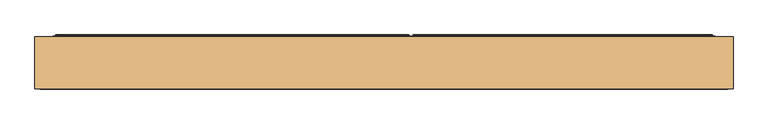
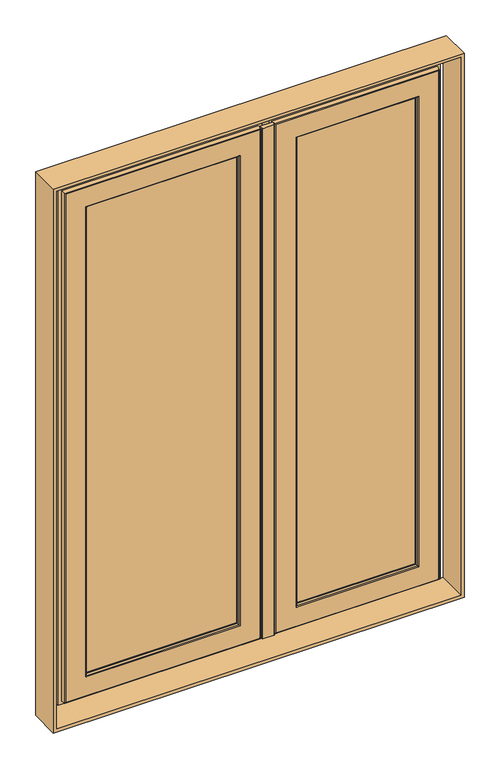
"""IFC4 building model written with IfcOpenShell, lengths in millimetres: door geometry."""

from ifc_helpers import new_model, si_unit, point, frame, frame_2d, origin, place, context, project, spatial, polyline, circle_curve, ellipse_curve, trimmed, segment, composite_curve, outline, extrude, source, transform, mapped, element, save
from ifc_brep_helpers import plane_surface, cylinder_surface, advanced_brep


def door_bfcf232a(model_context):
    return source(origin(), model_context, "Body", "SolidModel", [
        advanced_brep(
        [(-84.5, 188.6168436, 2052.5), (-84.5, 188.6168436, 47.5), (-84.5, 185.5999985, 47.5), (-84.5, 185.5999985, 2052.5), (-87.0, 193.0, 2055.0), (-87.0, 193.0, 45.0), (-88.0, 192.0, 44.0), (-88.0, 192.0, 2056.0), (7.23989, 192.6156615, 1960.76011), (7.23989, 192.6156615, 139.23989), (6.4518793, 193.0, 138.4518793), (6.4518793, 193.0, 1961.5481207), (15.0073403, 182.6737784, 1952.9926597), (15.0073403, 182.6737784, 147.0073403), (15.0073403, 181.0, 1952.9926597), (15.0073403, 181.0, 147.0073403), (-3.3670018, 133.0, 1971.3670018), (-3.3670018, 133.0, 128.6329982), (-9.2606608, 181.0, 122.7393392), (-9.2606608, 181.0, 1977.2606608), (15.0, 130.0, 1953.0), (15.0, 130.0, 147.0), (15.0, 133.0, 147.0), (15.0, 133.0, 1953.0), (14.9781475, 128.7920883, 1953.0218525), (14.9781475, 128.7920883, 146.9781475), (13.9999999, 130.0, 145.9999999), (13.9999999, 130.0, 1954.0000001), (13.1893091, 120.376265, 1954.8106909), (13.1893091, 120.376265, 145.1893091), (10.2548663, 118.0, 1957.7451337), (10.2548663, 118.0, 142.2548663), (-65.5618051, 119.7562613, 2033.5618051), (-65.5618051, 119.7562613, 66.4381949), (-63.5767128, 118.0, 68.4232872), (-63.5767128, 118.0, 2031.5767128), (-67.5562854, 136.0, 2035.5562854), (-67.5562854, 136.0, 64.4437146), (-79.0, 185.5999985, 2047.0), (-79.0, 185.5999985, 53.0), (-79.0, 136.0, 53.0), (-79.0, 136.0, 2047.0), (552.5, 188.6168436, 47.5), (552.5, 185.5999985, 47.5), (555.0, 193.0, 45.0), (556.0, 192.0, 44.0), (460.76011, 192.6156615, 139.23989), (461.5481207, 193.0, 138.4518793), (452.9926597, 182.6737784, 147.0073403), (452.9926597, 181.0, 147.0073403), (471.3670018, 133.0, 128.6329982), (477.2606608, 181.0, 122.7393392), (453.0, 130.0, 147.0), (453.0, 133.0, 147.0), (453.0218525, 128.7920883, 146.9781475), (454.0000001, 130.0, 145.9999999), (454.8106909, 120.376265, 145.1893091), (457.7451337, 118.0, 142.2548663), (533.5618051, 119.7562613, 66.4381949), (531.5767128, 118.0, 68.4232872), (535.5562854, 136.0, 64.4437146), (547.0, 185.5999985, 53.0), (547.0, 136.0, 53.0), (552.5, 188.6168436, 2052.5), (552.5, 185.5999985, 2052.5), (555.0, 193.0, 2055.0), (556.0, 192.0, 2056.0), (460.76011, 192.6156615, 1960.76011), (461.5481207, 193.0, 1961.5481207), (452.9926597, 182.6737784, 1952.9926597), (452.9926597, 181.0, 1952.9926597), (471.3670018, 133.0, 1971.3670018), (477.2606608, 181.0, 1977.2606608), (453.0, 130.0, 1953.0), (453.0, 133.0, 1953.0), (453.0218525, 128.7920883, 1953.0218525), (454.0000001, 130.0, 1954.0000001), (454.8106909, 120.376265, 1954.8106909), (457.7451337, 118.0, 1957.7451337), (533.5618051, 119.7562613, 2033.5618051), (531.5767128, 118.0, 2031.5767128), (535.5562854, 136.0, 2035.5562854), (547.0, 185.5999985, 2047.0), (547.0, 136.0, 2047.0), (-94.1997151, 189.6865589, 37.8002849), (-94.1997151, 189.6865589, 2062.1997151), (562.1997151, 189.6865589, 2062.1997151), (562.1997151, 189.6865589, 37.8002849), (-88.0, 189.6865589, 2056.0), (-88.0, 189.6865589, 44.0), (556.0, 189.6865589, 44.0), (556.0, 189.6865589, 2056.0), (-94.1997151, 188.6168436, 37.8002849), (-94.1997151, 188.6168436, 2062.1997151), (562.1997151, 188.6168436, 37.8002849), (562.1997151, 188.6168436, 2062.1997151)],
        [
            (0, 1),
            (1, 2),
            (2, 3),
            (3, 0),
            (4, 5),
            (5, 6, ellipse_curve(frame((-87.0, 192.0, 45.0), z_axis=(-0.7071067811865475, 0.0, 0.7071067811865475), x_axis=(0.7071067811865474, 0.0, 0.7071067811865476)), 1.4142136, 1.0)),
            (6, 7),
            (7, 4, ellipse_curve(frame((-87.0, 192.0, 2055.0), z_axis=(-0.7071067811865475, 0.0, -0.7071067811865475), x_axis=(-0.7071067811865474, 0.0, 0.7071067811865476)), 1.4142136, 1.0)),
            (8, 9),
            (9, 10, ellipse_curve(frame((6.4518793, 192.0, 138.4518793), z_axis=(-0.7071067811865475, 0.0, 0.7071067811865475), x_axis=(0.7071067811865474, 0.0, 0.7071067811865476)), 1.4142136, 1.0)),
            (10, 11),
            (11, 8, ellipse_curve(frame((6.4518793, 192.0, 1961.5481207), z_axis=(-0.7071067811865475, 0.0, -0.7071067811865475), x_axis=(-0.7071067811865474, 0.0, 0.7071067811865476)), 1.4142136, 1.0)),
            (12, 13),
            (13, 9),
            (8, 12),
            (14, 15),
            (15, 13),
            (12, 14),
            (16, 17),
            (17, 18),
            (18, 19),
            (19, 16),
            (20, 21),
            (21, 22),
            (22, 23),
            (23, 20),
            (24, 25),
            (25, 26, ellipse_curve(frame((13.9999999, 129.0, 145.9999999), z_axis=(-0.7071067811865475, 0.0, 0.7071067811865475), x_axis=(0.7071067811865474, 0.0, 0.7071067811865476)), 1.4142136, 1.0)),
            (26, 27),
            (27, 24, ellipse_curve(frame((13.9999999, 129.0, 1954.0000001), z_axis=(-0.7071067811865475, 0.0, -0.7071067811865475), x_axis=(-0.7071067811865474, 0.0, 0.7071067811865476)), 1.4142136, 1.0)),
            (28, 29),
            (29, 25),
            (24, 28),
            (30, 31),
            (31, 29, ellipse_curve(frame((10.2548663, 121.0, 142.2548663), z_axis=(-0.7071067811865475, 0.0, 0.7071067811865475), x_axis=(0.7071067811865474, 0.0, 0.7071067811865476)), 4.2426407, 3.0)),
            (28, 30, ellipse_curve(frame((10.2548663, 121.0, 1957.7451337), z_axis=(-0.7071067811865475, 0.0, -0.7071067811865475), x_axis=(-0.7071067811865474, 0.0, 0.7071067811865476)), 4.2426407, 3.0)),
            (32, 33),
            (33, 34, ellipse_curve(frame((-63.5767128, 120.0, 68.4232872), z_axis=(-0.7071067811865475, 0.0, 0.7071067811865475), x_axis=(0.7071067811865474, 0.0, 0.7071067811865476)), 2.8284271, 2.0)),
            (34, 35),
            (35, 32, ellipse_curve(frame((-63.5767128, 120.0, 2031.5767128), z_axis=(-0.7071067811865475, 0.0, -0.7071067811865475), x_axis=(-0.7071067811865474, 0.0, 0.7071067811865476)), 2.8284271, 2.0)),
            (36, 37),
            (37, 33),
            (32, 36),
            (38, 39),
            (39, 40),
            (40, 41),
            (41, 38),
            (1, 42),
            (42, 43),
            (43, 2),
            (5, 44),
            (44, 45, ellipse_curve(frame((555.0, 192.0, 45.0), z_axis=(-0.7071067811865475, 0.0, -0.7071067811865475), x_axis=(-0.7071067811865476, 0.0, 0.7071067811865474)), 1.4142136, 1.0)),
            (45, 6),
            (9, 46),
            (46, 47, ellipse_curve(frame((461.5481207, 192.0, 138.4518793), z_axis=(-0.7071067811865475, 0.0, -0.7071067811865475), x_axis=(-0.7071067811865476, 0.0, 0.7071067811865474)), 1.4142136, 1.0)),
            (47, 10),
            (13, 48),
            (48, 46),
            (15, 49),
            (49, 48),
            (17, 50),
            (50, 51),
            (51, 18),
            (21, 52),
            (52, 53),
            (53, 22),
            (25, 54),
            (54, 55, ellipse_curve(frame((454.0000001, 129.0, 145.9999999), z_axis=(-0.7071067811865475, 0.0, -0.7071067811865475), x_axis=(-0.7071067811865476, 0.0, 0.7071067811865474)), 1.4142136, 1.0)),
            (55, 26),
            (29, 56),
            (56, 54),
            (31, 57),
            (57, 56, ellipse_curve(frame((457.7451337, 121.0, 142.2548663), z_axis=(-0.7071067811865475, 0.0, -0.7071067811865475), x_axis=(-0.7071067811865476, 0.0, 0.7071067811865474)), 4.2426407, 3.0)),
            (33, 58),
            (58, 59, ellipse_curve(frame((531.5767128, 120.0, 68.4232872), z_axis=(-0.7071067811865475, 0.0, -0.7071067811865475), x_axis=(-0.7071067811865476, 0.0, 0.7071067811865474)), 2.8284271, 2.0)),
            (59, 34),
            (37, 60),
            (60, 58),
            (39, 61),
            (61, 62),
            (62, 40),
            (42, 63),
            (63, 64),
            (64, 43),
            (44, 65),
            (65, 66, ellipse_curve(frame((555.0, 192.0, 2055.0), z_axis=(0.7071067811865475, 0.0, -0.7071067811865475), x_axis=(-0.7071067811865474, 0.0, -0.7071067811865476)), 1.4142136, 1.0)),
            (66, 45),
            (46, 67),
            (67, 68, ellipse_curve(frame((461.5481207, 192.0, 1961.5481207), z_axis=(0.7071067811865475, 0.0, -0.7071067811865475), x_axis=(-0.7071067811865474, 0.0, -0.7071067811865476)), 1.4142136, 1.0)),
            (68, 47),
            (48, 69),
            (69, 67),
            (49, 70),
            (70, 69),
            (50, 71),
            (71, 72),
            (72, 51),
            (52, 73),
            (73, 74),
            (74, 53),
            (54, 75),
            (75, 76, ellipse_curve(frame((454.0000001, 129.0, 1954.0000001), z_axis=(0.7071067811865475, 0.0, -0.7071067811865475), x_axis=(-0.7071067811865474, 0.0, -0.7071067811865476)), 1.4142136, 1.0)),
            (76, 55),
            (56, 77),
            (77, 75),
            (57, 78),
            (78, 77, ellipse_curve(frame((457.7451337, 121.0, 1957.7451337), z_axis=(0.7071067811865475, 0.0, -0.7071067811865475), x_axis=(-0.7071067811865474, 0.0, -0.7071067811865476)), 4.2426407, 3.0)),
            (58, 79),
            (79, 80, ellipse_curve(frame((531.5767128, 120.0, 2031.5767128), z_axis=(0.7071067811865475, 0.0, -0.7071067811865475), x_axis=(-0.7071067811865474, 0.0, -0.7071067811865476)), 2.8284271, 2.0)),
            (80, 59),
            (60, 81),
            (81, 79),
            (61, 82),
            (82, 83),
            (83, 62),
            (64, 3),
            (38, 82),
            (63, 0),
            (84, 85),
            (85, 86),
            (86, 87),
            (87, 84),
            (88, 89),
            (89, 90),
            (90, 91),
            (91, 88),
            (65, 4),
            (7, 66),
            (68, 11),
            (67, 8),
            (69, 12),
            (70, 14),
            (72, 19),
            (71, 16),
            (74, 23),
            (73, 20),
            (76, 27),
            (75, 24),
            (77, 28),
            (78, 30),
            (80, 35),
            (79, 32),
            (81, 36),
            (83, 41),
            (84, 92),
            (92, 93),
            (93, 85),
            (6, 89),
            (88, 7),
            (87, 94),
            (94, 92),
            (45, 90),
            (86, 95),
            (95, 94),
            (66, 91),
            (95, 93),
        ],
        [
            plane_surface(frame((-84.5, 185.5999985, 2052.5), z_axis=(-1.0, 0.0, 0.0), x_axis=(0.0, 0.0, -1.0))),
            cylinder_surface(frame((-87.0, 192.0, 2047.0), z_axis=(0.0, 0.0, 1.0), x_axis=(0.0, -1.0, 0.0)), 1.0),
            cylinder_surface(frame((6.4518793, 192.0, 2047.0), z_axis=(0.0, 0.0, 1.0), x_axis=(0.0, -1.0, 0.0)), 1.0),
            plane_surface(frame((7.23989, 192.6156615, 1960.76011), z_axis=(0.7880107536067479, 0.6156614753256251, 0.0), x_axis=(0.0, 0.0, -1.0))),
            plane_surface(frame((15.0073403, 182.6737784, 1952.9926597), z_axis=(1.0, 0.0, 0.0), x_axis=(0.0, 0.0, -1.0))),
            plane_surface(frame((-9.2606608, 181.0, 1977.2606608), z_axis=(0.9925461516413231, 0.12186934340513902, 0.0), x_axis=(0.0, 0.0, -1.0))),
            plane_surface(frame((15.0, 133.0, 1953.0), z_axis=(1.0, 0.0, 0.0), x_axis=(0.0, 0.0, -1.0))),
            cylinder_surface(frame((13.9999999, 129.0, 2047.0), z_axis=(0.0, 0.0, 1.0), x_axis=(0.0, -1.0, 0.0)), 1.0),
            plane_surface(frame((14.9781475, 128.7920883, 1953.0218525), z_axis=(0.978147604222882, -0.20791167440294514, 0.0), x_axis=(0.0, 0.0, -1.0))),
            cylinder_surface(frame((10.2548663, 121.0, 2047.0), z_axis=(0.0, 0.0, 1.0), x_axis=(0.0, -1.0, 0.0)), 3.0),
            cylinder_surface(frame((-63.5767128, 120.0, 2047.0), z_axis=(0.0, 0.0, 1.0), x_axis=(0.0, -1.0, 0.0)), 2.0),
            plane_surface(frame((-65.5618051, 119.7562613, 2033.5618051), z_axis=(-0.9925461516416144, -0.12186934340276656, 0.0), x_axis=(0.0, 0.0, -1.0))),
            plane_surface(frame((-79.0, 136.0, 2047.0), z_axis=(-1.0, 0.0, 0.0), x_axis=(0.0, 0.0, -1.0))),
            plane_surface(frame((-84.5, 185.5999985, 47.5), z_axis=(0.0, 0.0, -1.0), x_axis=(1.0, 0.0, 0.0))),
            cylinder_surface(frame((-79.0, 192.0, 45.0), z_axis=(-1.0, 0.0, 0.0), x_axis=(0.0, -1.0, 0.0)), 1.0),
            cylinder_surface(frame((-79.0, 192.0, 138.4518793), z_axis=(-1.0, 0.0, 0.0), x_axis=(0.0, -1.0, 0.0)), 1.0),
            plane_surface(frame((7.23989, 192.6156615, 139.23989), z_axis=(0.0, 0.6156614753256251, 0.7880107536067479), x_axis=(1.0, 0.0, 0.0))),
            plane_surface(frame((15.0073403, 182.6737784, 147.0073403), z_axis=(0.0, 0.0, 1.0), x_axis=(1.0, 0.0, 0.0))),
            plane_surface(frame((-9.2606608, 181.0, 122.7393392), z_axis=(0.0, 0.12186934340513902, 0.9925461516413231), x_axis=(1.0, 0.0, 0.0))),
            plane_surface(frame((15.0, 133.0, 147.0), z_axis=(0.0, 0.0, 1.0), x_axis=(1.0, 0.0, 0.0))),
            cylinder_surface(frame((-79.0, 129.0, 145.9999999), z_axis=(-1.0, 0.0, 0.0), x_axis=(0.0, -1.0, 0.0)), 1.0),
            plane_surface(frame((14.9781475, 128.7920883, 146.9781475), z_axis=(0.0, -0.20791167440294514, 0.978147604222882), x_axis=(1.0, 0.0, 0.0))),
            cylinder_surface(frame((-79.0, 121.0, 142.2548663), z_axis=(-1.0, 0.0, 0.0), x_axis=(0.0, -1.0, 0.0)), 3.0),
            cylinder_surface(frame((-79.0, 120.0, 68.4232872), z_axis=(-1.0, 0.0, 0.0), x_axis=(0.0, -1.0, 0.0)), 2.0),
            plane_surface(frame((-65.5618051, 119.7562613, 66.4381949), z_axis=(0.0, -0.12186934340276656, -0.9925461516416144), x_axis=(1.0, 0.0, 0.0))),
            plane_surface(frame((-79.0, 136.0, 53.0), z_axis=(0.0, 0.0, -1.0), x_axis=(1.0, 0.0, 0.0))),
            plane_surface(frame((552.5, 185.5999985, 47.5), z_axis=(1.0, 0.0, 0.0), x_axis=(0.0, 0.0, 1.0))),
            cylinder_surface(frame((555.0, 192.0, 53.0), z_axis=(0.0, 0.0, -1.0), x_axis=(0.0, -1.0, 0.0)), 1.0),
            cylinder_surface(frame((461.5481207, 192.0, 53.0), z_axis=(0.0, 0.0, -1.0), x_axis=(0.0, -1.0, 0.0)), 1.0),
            plane_surface(frame((460.76011, 192.6156615, 139.23989), z_axis=(-0.7880107536067479, 0.6156614753256251, 0.0), x_axis=(0.0, 0.0, 1.0))),
            plane_surface(frame((452.9926597, 182.6737784, 147.0073403), z_axis=(-1.0, 0.0, 0.0), x_axis=(0.0, 0.0, 1.0))),
            plane_surface(frame((477.2606608, 181.0, 122.7393392), z_axis=(-0.9925461516413231, 0.12186934340513902, 0.0), x_axis=(0.0, 0.0, 1.0))),
            plane_surface(frame((453.0, 133.0, 147.0), z_axis=(-1.0, 0.0, 0.0), x_axis=(0.0, 0.0, 1.0))),
            cylinder_surface(frame((454.0000001, 129.0, 53.0), z_axis=(0.0, 0.0, -1.0), x_axis=(0.0, -1.0, 0.0)), 1.0),
            plane_surface(frame((453.0218525, 128.7920883, 146.9781475), z_axis=(-0.978147604222882, -0.20791167440294514, 0.0), x_axis=(0.0, 0.0, 1.0))),
            cylinder_surface(frame((457.7451337, 121.0, 53.0), z_axis=(0.0, 0.0, -1.0), x_axis=(0.0, -1.0, 0.0)), 3.0),
            cylinder_surface(frame((531.5767128, 120.0, 53.0), z_axis=(0.0, 0.0, -1.0), x_axis=(0.0, -1.0, 0.0)), 2.0),
            plane_surface(frame((533.5618051, 119.7562613, 66.4381949), z_axis=(0.9925461516416144, -0.12186934340276656, 0.0), x_axis=(0.0, 0.0, 1.0))),
            plane_surface(frame((547.0, 136.0, 53.0), z_axis=(1.0, 0.0, 0.0), x_axis=(0.0, 0.0, 1.0))),
            plane_surface(frame((547.0, 185.5999985, 2047.0), z_axis=(0.0, -1.0, 0.0), x_axis=(-1.0, 0.0, 0.0))),
            plane_surface(frame((552.5, 185.5999985, 2052.5), z_axis=(0.0, 0.0, 1.0), x_axis=(-1.0, 0.0, 0.0))),
            plane_surface(frame((562.1997151, 189.6865589, 2062.1997151), z_axis=(0.0, 1.0, 0.0), x_axis=(-1.0, 0.0, 0.0))),
            cylinder_surface(frame((547.0, 192.0, 2055.0), z_axis=(1.0, 0.0, 0.0), x_axis=(0.0, -1.0, 0.0)), 1.0),
            plane_surface(frame((555.0, 193.0, 2055.0), z_axis=(0.0, 1.0, 0.0), x_axis=(-1.0, 0.0, 0.0))),
            cylinder_surface(frame((547.0, 192.0, 1961.5481207), z_axis=(1.0, 0.0, 0.0), x_axis=(0.0, -1.0, 0.0)), 1.0),
            plane_surface(frame((460.76011, 192.6156615, 1960.76011), z_axis=(0.0, 0.6156614753256251, -0.7880107536067479), x_axis=(-1.0, 0.0, 0.0))),
            plane_surface(frame((452.9926597, 182.6737784, 1952.9926597), z_axis=(0.0, 0.0, -1.0), x_axis=(-1.0, 0.0, 0.0))),
            plane_surface(frame((452.9926597, 181.0, 1952.9926597), z_axis=(0.0, -1.0, 0.0), x_axis=(-1.0, 0.0, 0.0))),
            plane_surface(frame((477.2606608, 181.0, 1977.2606608), z_axis=(0.0, 0.12186934340513902, -0.9925461516413231), x_axis=(-1.0, 0.0, 0.0))),
            plane_surface(frame((471.3670018, 133.0, 1971.3670018), z_axis=(0.0, 1.0, 0.0), x_axis=(-1.0, 0.0, 0.0))),
            plane_surface(frame((453.0, 133.0, 1953.0), z_axis=(0.0, 0.0, -1.0), x_axis=(-1.0, 0.0, 0.0))),
            plane_surface(frame((453.0, 130.0, 1953.0), z_axis=(0.0, -1.0, 0.0), x_axis=(-1.0, 0.0, 0.0))),
            cylinder_surface(frame((547.0, 129.0, 1954.0000001), z_axis=(1.0, 0.0, 0.0), x_axis=(0.0, -1.0, 0.0)), 1.0),
            plane_surface(frame((453.0218525, 128.7920883, 1953.0218525), z_axis=(0.0, -0.20791167440294514, -0.978147604222882), x_axis=(-1.0, 0.0, 0.0))),
            cylinder_surface(frame((547.0, 121.0, 1957.7451337), z_axis=(1.0, 0.0, 0.0), x_axis=(0.0, -1.0, 0.0)), 3.0),
            plane_surface(frame((457.7451337, 118.0, 1957.7451337), z_axis=(0.0, -1.0, 0.0), x_axis=(-1.0, 0.0, 0.0))),
            cylinder_surface(frame((547.0, 120.0, 2031.5767128), z_axis=(1.0, 0.0, 0.0), x_axis=(0.0, -1.0, 0.0)), 2.0),
            plane_surface(frame((533.5618051, 119.7562613, 2033.5618051), z_axis=(0.0, -0.12186934340276656, 0.9925461516416144), x_axis=(-1.0, 0.0, 0.0))),
            plane_surface(frame((535.5562854, 136.0, 2035.5562854), z_axis=(0.0, -1.0, 0.0), x_axis=(-1.0, 0.0, 0.0))),
            plane_surface(frame((547.0, 136.0, 2047.0), z_axis=(0.0, 0.0, 1.0), x_axis=(-1.0, 0.0, 0.0))),
            plane_surface(frame((-94.1997151, 188.6168436, 2062.1997151), z_axis=(-1.0, 0.0, 0.0), x_axis=(0.0, 0.0, -1.0))),
            plane_surface(frame((-88.0, 189.6865589, 2056.0), z_axis=(-1.0, 0.0, 0.0), x_axis=(0.0, 0.0, -1.0))),
            plane_surface(frame((-94.1997151, 188.6168436, 37.8002849), z_axis=(0.0, 0.0, -1.0), x_axis=(1.0, 0.0, 0.0))),
            plane_surface(frame((-88.0, 189.6865589, 44.0), z_axis=(0.0, 0.0, -1.0), x_axis=(1.0, 0.0, 0.0))),
            plane_surface(frame((562.1997151, 188.6168436, 37.8002849), z_axis=(1.0, 0.0, 0.0), x_axis=(0.0, 0.0, 1.0))),
            plane_surface(frame((556.0, 189.6865589, 44.0), z_axis=(1.0, 0.0, 0.0), x_axis=(0.0, 0.0, 1.0))),
            plane_surface(frame((552.5, 188.6168436, 2052.5), z_axis=(0.0, -1.0, 0.0), x_axis=(-1.0, 0.0, 0.0))),
            plane_surface(frame((562.1997151, 188.6168436, 2062.1997151), z_axis=(0.0, 0.0, 1.0), x_axis=(-1.0, 0.0, 0.0))),
            plane_surface(frame((556.0, 189.6865589, 2056.0), z_axis=(0.0, 0.0, 1.0), x_axis=(-1.0, 0.0, 0.0))),
        ],
        [
            (0, [[1, 2, 3, 4]]),
            (1, [[5, 6, 7, 8]]),
            (2, [[9, 10, 11, 12]]),
            (3, [[13, 14, -9, 15]]),
            (4, [[16, 17, -13, 18]]),
            (5, [[19, 20, 21, 22]]),
            (6, [[23, 24, 25, 26]]),
            (7, [[27, 28, 29, 30]]),
            (8, [[31, 32, -27, 33]]),
            (9, [[34, 35, -31, 36]]),
            (10, [[37, 38, 39, 40]]),
            (11, [[41, 42, -37, 43]]),
            (12, [[44, 45, 46, 47]]),
            (13, [[48, 49, 50, -2]]),
            (14, [[51, 52, 53, -6]]),
            (15, [[54, 55, 56, -10]]),
            (16, [[57, 58, -54, -14]]),
            (17, [[59, 60, -57, -17]]),
            (18, [[61, 62, 63, -20]]),
            (19, [[64, 65, 66, -24]]),
            (20, [[67, 68, 69, -28]]),
            (21, [[70, 71, -67, -32]]),
            (22, [[72, 73, -70, -35]]),
            (23, [[74, 75, 76, -38]]),
            (24, [[77, 78, -74, -42]]),
            (25, [[79, 80, 81, -45]]),
            (26, [[82, 83, 84, -49]]),
            (27, [[85, 86, 87, -52]]),
            (28, [[88, 89, 90, -55]]),
            (29, [[91, 92, -88, -58]]),
            (30, [[93, 94, -91, -60]]),
            (31, [[95, 96, 97, -62]]),
            (32, [[98, 99, 100, -65]]),
            (33, [[101, 102, 103, -68]]),
            (34, [[104, 105, -101, -71]]),
            (35, [[106, 107, -104, -73]]),
            (36, [[108, 109, 110, -75]]),
            (37, [[111, 112, -108, -78]]),
            (38, [[113, 114, 115, -80]]),
            (39, [[-3, -50, -84, 116], [-44, 117, -113, -79]]),
            (40, [[118, -4, -116, -83]]),
            (41, [[119, 120, 121, 122], [123, 124, 125, 126]]),
            (42, [[127, -8, 128, -86]]),
            (43, [[-5, -127, -85, -51], [-11, -56, -90, 129]]),
            (44, [[130, -12, -129, -89]]),
            (45, [[131, -15, -130, -92]]),
            (46, [[132, -18, -131, -94]]),
            (47, [[-21, -63, -97, 133], [-16, -132, -93, -59]]),
            (48, [[134, -22, -133, -96]]),
            (49, [[-19, -134, -95, -61], [-25, -66, -100, 135]]),
            (50, [[136, -26, -135, -99]]),
            (51, [[-29, -69, -103, 137], [-23, -136, -98, -64]]),
            (52, [[138, -30, -137, -102]]),
            (53, [[139, -33, -138, -105]]),
            (54, [[140, -36, -139, -107]]),
            (55, [[-39, -76, -110, 141], [-34, -140, -106, -72]]),
            (56, [[142, -40, -141, -109]]),
            (57, [[143, -43, -142, -112]]),
            (58, [[-46, -81, -115, 144], [-41, -143, -111, -77]]),
            (59, [[-117, -47, -144, -114]]),
            (60, [[-119, 145, 146, 147]]),
            (61, [[-7, 148, -123, 149]]),
            (62, [[-122, 150, 151, -145]]),
            (63, [[-53, 152, -124, -148]]),
            (64, [[-121, 153, 154, -150]]),
            (65, [[-87, 155, -125, -152]]),
            (66, [[-146, -151, -154, 156], [-1, -118, -82, -48]]),
            (67, [[-120, -147, -156, -153]]),
            (68, [[-128, -149, -126, -155]]),
        ],
    ),
        extrude(outline(polyline([(5.8540715, 133.0110098), (5.8540715, 181.0110098), (462.1459285, 181.0110098), (462.1459285, 133.0110098), (5.8540715, 133.0110098)])), frame((0.0, 0.0, 137.8540715), z_axis=(0.0, 0.0, 1.0), x_axis=(1.0, 0.0, 0.0)), (0.0, 0.0, 1.0), 1824.291857),
        advanced_brep(
        [(-99.5, 188.6168436, 2052.5), (-99.5, 185.5999985, 2052.5), (-99.5, 185.5999985, 47.5), (-99.5, 188.6168436, 47.5), (-97.0, 193.0, 2055.0), (-96.0, 192.0, 2056.0), (-96.0, 192.0, 44.0), (-97.0, 193.0, 45.0), (-191.23989, 192.6156615, 1960.76011), (-190.4518793, 193.0, 1961.5481207), (-190.4518793, 193.0, 138.4518793), (-191.23989, 192.6156615, 139.23989), (-199.0073403, 182.6737784, 1952.9926597), (-199.0073403, 182.6737784, 147.0073403), (-199.0073403, 181.0, 1952.9926597), (-199.0073403, 181.0, 147.0073403), (-180.6329982, 133.0, 1971.3670018), (-174.7393392, 181.0, 1977.2606608), (-174.7393392, 181.0, 122.7393392), (-180.6329982, 133.0, 128.6329982), (-199.0, 130.0, 1953.0), (-199.0, 133.0, 1953.0), (-199.0, 133.0, 147.0), (-199.0, 130.0, 147.0), (-198.9781475, 128.7920883, 1953.0218525), (-197.9999999, 130.0, 1954.0000001), (-197.9999999, 130.0, 145.9999999), (-198.9781475, 128.7920883, 146.9781475), (-197.1893091, 120.376265, 1954.8106909), (-197.1893091, 120.376265, 145.1893091), (-194.2548663, 118.0, 1957.7451337), (-194.2548663, 118.0, 142.2548663), (-118.4381949, 119.7562613, 2033.5618051), (-120.4232872, 118.0, 2031.5767128), (-120.4232872, 118.0, 68.4232872), (-118.4381949, 119.7562613, 66.4381949), (-116.4437146, 136.0, 2035.5562854), (-116.4437146, 136.0, 64.4437146), (-105.0, 185.5999985, 2047.0), (-105.0, 136.0, 2047.0), (-105.0, 136.0, 53.0), (-105.0, 185.5999985, 53.0), (-852.5, 185.5999985, 47.5), (-852.5, 188.6168436, 47.5), (-856.0, 192.0, 44.0), (-855.0, 193.0, 45.0), (-761.5481207, 193.0, 138.4518793), (-760.76011, 192.6156615, 139.23989), (-752.9926597, 182.6737784, 147.0073403), (-752.9926597, 181.0, 147.0073403), (-777.2606608, 181.0, 122.7393392), (-771.3670018, 133.0, 128.6329982), (-753.0, 133.0, 147.0), (-753.0, 130.0, 147.0), (-754.0000001, 130.0, 145.9999999), (-753.0218525, 128.7920883, 146.9781475), (-754.8106909, 120.376265, 145.1893091), (-757.7451337, 118.0, 142.2548663), (-831.5767128, 118.0, 68.4232872), (-833.5618051, 119.7562613, 66.4381949), (-835.5562854, 136.0, 64.4437146), (-847.0, 136.0, 53.0), (-847.0, 185.5999985, 53.0), (-852.5, 185.5999985, 2052.5), (-852.5, 188.6168436, 2052.5), (-856.0, 192.0, 2056.0), (-855.0, 193.0, 2055.0), (-761.5481207, 193.0, 1961.5481207), (-760.76011, 192.6156615, 1960.76011), (-752.9926597, 182.6737784, 1952.9926597), (-752.9926597, 181.0, 1952.9926597), (-777.2606608, 181.0, 1977.2606608), (-771.3670018, 133.0, 1971.3670018), (-753.0, 133.0, 1953.0), (-753.0, 130.0, 1953.0), (-754.0000001, 130.0, 1954.0000001), (-753.0218525, 128.7920883, 1953.0218525), (-754.8106909, 120.376265, 1954.8106909), (-757.7451337, 118.0, 1957.7451337), (-831.5767128, 118.0, 2031.5767128), (-833.5618051, 119.7562613, 2033.5618051), (-835.5562854, 136.0, 2035.5562854), (-847.0, 136.0, 2047.0), (-847.0, 185.5999985, 2047.0), (-89.8002849, 189.6865589, 37.8002849), (-862.1997151, 189.6865589, 37.8002849), (-862.1997151, 189.6865589, 2062.1997151), (-89.8002849, 189.6865589, 2062.1997151), (-96.0, 189.6865589, 2056.0), (-856.0, 189.6865589, 2056.0), (-856.0, 189.6865589, 44.0), (-96.0, 189.6865589, 44.0), (-89.8002849, 188.6168436, 2062.1997151), (-89.8002849, 188.6168436, 37.8002849), (-862.1997151, 188.6168436, 37.8002849), (-862.1997151, 188.6168436, 2062.1997151)],
        [
            (0, 1),
            (1, 2),
            (2, 3),
            (3, 0),
            (4, 5, ellipse_curve(frame((-97.0, 192.0, 2055.0), z_axis=(0.7071067811865475, 0.0, -0.7071067811865475), x_axis=(0.7071067811865474, 0.0, 0.7071067811865476)), 1.4142136, 1.0)),
            (5, 6),
            (6, 7, ellipse_curve(frame((-97.0, 192.0, 45.0), z_axis=(0.7071067811865475, 0.0, 0.7071067811865475), x_axis=(-0.7071067811865474, 0.0, 0.7071067811865476)), 1.4142136, 1.0)),
            (7, 4),
            (8, 9, ellipse_curve(frame((-190.4518793, 192.0, 1961.5481207), z_axis=(0.7071067811865475, 0.0, -0.7071067811865475), x_axis=(0.7071067811865474, 0.0, 0.7071067811865476)), 1.4142136, 1.0)),
            (9, 10),
            (10, 11, ellipse_curve(frame((-190.4518793, 192.0, 138.4518793), z_axis=(0.7071067811865475, 0.0, 0.7071067811865475), x_axis=(-0.7071067811865474, 0.0, 0.7071067811865476)), 1.4142136, 1.0)),
            (11, 8),
            (12, 8),
            (11, 13),
            (13, 12),
            (14, 12),
            (13, 15),
            (15, 14),
            (16, 17),
            (17, 18),
            (18, 19),
            (19, 16),
            (20, 21),
            (21, 22),
            (22, 23),
            (23, 20),
            (24, 25, ellipse_curve(frame((-197.9999999, 129.0, 1954.0000001), z_axis=(0.7071067811865475, 0.0, -0.7071067811865475), x_axis=(0.7071067811865474, 0.0, 0.7071067811865476)), 1.4142136, 1.0)),
            (25, 26),
            (26, 27, ellipse_curve(frame((-197.9999999, 129.0, 145.9999999), z_axis=(0.7071067811865475, 0.0, 0.7071067811865475), x_axis=(-0.7071067811865474, 0.0, 0.7071067811865476)), 1.4142136, 1.0)),
            (27, 24),
            (28, 24),
            (27, 29),
            (29, 28),
            (30, 28, ellipse_curve(frame((-194.2548663, 121.0, 1957.7451337), z_axis=(0.7071067811865475, 0.0, -0.7071067811865475), x_axis=(0.7071067811865474, 0.0, 0.7071067811865476)), 4.2426407, 3.0)),
            (29, 31, ellipse_curve(frame((-194.2548663, 121.0, 142.2548663), z_axis=(0.7071067811865475, 0.0, 0.7071067811865475), x_axis=(-0.7071067811865474, 0.0, 0.7071067811865476)), 4.2426407, 3.0)),
            (31, 30),
            (32, 33, ellipse_curve(frame((-120.4232872, 120.0, 2031.5767128), z_axis=(0.7071067811865475, 0.0, -0.7071067811865475), x_axis=(0.7071067811865474, 0.0, 0.7071067811865476)), 2.8284271, 2.0)),
            (33, 34),
            (34, 35, ellipse_curve(frame((-120.4232872, 120.0, 68.4232872), z_axis=(0.7071067811865475, 0.0, 0.7071067811865475), x_axis=(-0.7071067811865474, 0.0, 0.7071067811865476)), 2.8284271, 2.0)),
            (35, 32),
            (36, 32),
            (35, 37),
            (37, 36),
            (38, 39),
            (39, 40),
            (40, 41),
            (41, 38),
            (2, 42),
            (42, 43),
            (43, 3),
            (6, 44),
            (44, 45, ellipse_curve(frame((-855.0, 192.0, 45.0), z_axis=(0.7071067811865475, 0.0, -0.7071067811865475), x_axis=(0.7071067811865476, 0.0, 0.7071067811865474)), 1.4142136, 1.0)),
            (45, 7),
            (10, 46),
            (46, 47, ellipse_curve(frame((-761.5481207, 192.0, 138.4518793), z_axis=(0.7071067811865475, 0.0, -0.7071067811865475), x_axis=(0.7071067811865476, 0.0, 0.7071067811865474)), 1.4142136, 1.0)),
            (47, 11),
            (47, 48),
            (48, 13),
            (48, 49),
            (49, 15),
            (18, 50),
            (50, 51),
            (51, 19),
            (22, 52),
            (52, 53),
            (53, 23),
            (26, 54),
            (54, 55, ellipse_curve(frame((-754.0000001, 129.0, 145.9999999), z_axis=(0.7071067811865475, 0.0, -0.7071067811865475), x_axis=(0.7071067811865476, 0.0, 0.7071067811865474)), 1.4142136, 1.0)),
            (55, 27),
            (55, 56),
            (56, 29),
            (56, 57, ellipse_curve(frame((-757.7451337, 121.0, 142.2548663), z_axis=(0.7071067811865475, 0.0, -0.7071067811865475), x_axis=(0.7071067811865476, 0.0, 0.7071067811865474)), 4.2426407, 3.0)),
            (57, 31),
            (34, 58),
            (58, 59, ellipse_curve(frame((-831.5767128, 120.0, 68.4232872), z_axis=(0.7071067811865475, 0.0, -0.7071067811865475), x_axis=(0.7071067811865476, 0.0, 0.7071067811865474)), 2.8284271, 2.0)),
            (59, 35),
            (59, 60),
            (60, 37),
            (40, 61),
            (61, 62),
            (62, 41),
            (42, 63),
            (63, 64),
            (64, 43),
            (44, 65),
            (65, 66, ellipse_curve(frame((-855.0, 192.0, 2055.0), z_axis=(-0.7071067811865475, 0.0, -0.7071067811865475), x_axis=(0.7071067811865474, 0.0, -0.7071067811865476)), 1.4142136, 1.0)),
            (66, 45),
            (46, 67),
            (67, 68, ellipse_curve(frame((-761.5481207, 192.0, 1961.5481207), z_axis=(-0.7071067811865475, 0.0, -0.7071067811865475), x_axis=(0.7071067811865474, 0.0, -0.7071067811865476)), 1.4142136, 1.0)),
            (68, 47),
            (68, 69),
            (69, 48),
            (69, 70),
            (70, 49),
            (50, 71),
            (71, 72),
            (72, 51),
            (52, 73),
            (73, 74),
            (74, 53),
            (54, 75),
            (75, 76, ellipse_curve(frame((-754.0000001, 129.0, 1954.0000001), z_axis=(-0.7071067811865475, 0.0, -0.7071067811865475), x_axis=(0.7071067811865474, 0.0, -0.7071067811865476)), 1.4142136, 1.0)),
            (76, 55),
            (76, 77),
            (77, 56),
            (77, 78, ellipse_curve(frame((-757.7451337, 121.0, 1957.7451337), z_axis=(-0.7071067811865475, 0.0, -0.7071067811865475), x_axis=(0.7071067811865474, 0.0, -0.7071067811865476)), 4.2426407, 3.0)),
            (78, 57),
            (58, 79),
            (79, 80, ellipse_curve(frame((-831.5767128, 120.0, 2031.5767128), z_axis=(-0.7071067811865475, 0.0, -0.7071067811865475), x_axis=(0.7071067811865474, 0.0, -0.7071067811865476)), 2.8284271, 2.0)),
            (80, 59),
            (80, 81),
            (81, 60),
            (61, 82),
            (82, 83),
            (83, 62),
            (1, 63),
            (83, 38),
            (0, 64),
            (84, 85),
            (85, 86),
            (86, 87),
            (87, 84),
            (88, 89),
            (89, 90),
            (90, 91),
            (91, 88),
            (65, 5),
            (4, 66),
            (9, 67),
            (8, 68),
            (12, 69),
            (14, 70),
            (17, 71),
            (16, 72),
            (21, 73),
            (20, 74),
            (25, 75),
            (24, 76),
            (28, 77),
            (30, 78),
            (33, 79),
            (32, 80),
            (36, 81),
            (39, 82),
            (87, 92),
            (92, 93),
            (93, 84),
            (5, 88),
            (91, 6),
            (93, 94),
            (94, 85),
            (90, 44),
            (94, 95),
            (95, 86),
            (89, 65),
            (92, 95),
        ],
        [
            plane_surface(frame((-99.5, 185.5999985, 2052.5), z_axis=(1.0, 0.0, 0.0), x_axis=(0.0, 0.0, -1.0))),
            cylinder_surface(frame((-97.0, 192.0, 2047.0), z_axis=(0.0, 0.0, 1.0), x_axis=(0.0, -1.0, 0.0)), 1.0),
            cylinder_surface(frame((-190.4518793, 192.0, 2047.0), z_axis=(0.0, 0.0, 1.0), x_axis=(0.0, -1.0, 0.0)), 1.0),
            plane_surface(frame((-191.23989, 192.6156615, 1960.76011), z_axis=(-0.7880107536067479, 0.6156614753256251, 0.0), x_axis=(0.0, 0.0, -1.0))),
            plane_surface(frame((-199.0073403, 182.6737784, 1952.9926597), z_axis=(-1.0, 0.0, 0.0), x_axis=(0.0, 0.0, -1.0))),
            plane_surface(frame((-174.7393392, 181.0, 1977.2606608), z_axis=(-0.9925461516413231, 0.12186934340513902, 0.0), x_axis=(0.0, 0.0, -1.0))),
            plane_surface(frame((-199.0, 133.0, 1953.0), z_axis=(-1.0, 0.0, 0.0), x_axis=(0.0, 0.0, -1.0))),
            cylinder_surface(frame((-197.9999999, 129.0, 2047.0), z_axis=(0.0, 0.0, 1.0), x_axis=(0.0, -1.0, 0.0)), 1.0),
            plane_surface(frame((-198.9781475, 128.7920883, 1953.0218525), z_axis=(-0.978147604222882, -0.20791167440294514, 0.0), x_axis=(0.0, 0.0, -1.0))),
            cylinder_surface(frame((-194.2548663, 121.0, 2047.0), z_axis=(0.0, 0.0, 1.0), x_axis=(0.0, -1.0, 0.0)), 3.0),
            cylinder_surface(frame((-120.4232872, 120.0, 2047.0), z_axis=(0.0, 0.0, 1.0), x_axis=(0.0, -1.0, 0.0)), 2.0),
            plane_surface(frame((-118.4381949, 119.7562613, 2033.5618051), z_axis=(0.9925461516416144, -0.12186934340276656, 0.0), x_axis=(0.0, 0.0, -1.0))),
            plane_surface(frame((-105.0, 136.0, 2047.0), z_axis=(1.0, 0.0, 0.0), x_axis=(0.0, 0.0, -1.0))),
            plane_surface(frame((-99.5, 185.5999985, 47.5), z_axis=(0.0, 0.0, -1.0), x_axis=(-1.0, 0.0, 0.0))),
            cylinder_surface(frame((-105.0, 192.0, 45.0), z_axis=(1.0, 0.0, 0.0), x_axis=(0.0, -1.0, 0.0)), 1.0),
            cylinder_surface(frame((-105.0, 192.0, 138.4518793), z_axis=(1.0, 0.0, 0.0), x_axis=(0.0, -1.0, 0.0)), 1.0),
            plane_surface(frame((-191.23989, 192.6156615, 139.23989), z_axis=(0.0, 0.6156614753256251, 0.7880107536067479), x_axis=(-1.0, 0.0, 0.0))),
            plane_surface(frame((-199.0073403, 182.6737784, 147.0073403), z_axis=(0.0, 0.0, 1.0), x_axis=(-1.0, 0.0, 0.0))),
            plane_surface(frame((-174.7393392, 181.0, 122.7393392), z_axis=(0.0, 0.12186934340513902, 0.9925461516413231), x_axis=(-1.0, 0.0, 0.0))),
            plane_surface(frame((-199.0, 133.0, 147.0), z_axis=(0.0, 0.0, 1.0), x_axis=(-1.0, 0.0, 0.0))),
            cylinder_surface(frame((-105.0, 129.0, 145.9999999), z_axis=(1.0, 0.0, 0.0), x_axis=(0.0, -1.0, 0.0)), 1.0),
            plane_surface(frame((-198.9781475, 128.7920883, 146.9781475), z_axis=(0.0, -0.20791167440294514, 0.978147604222882), x_axis=(-1.0, 0.0, 0.0))),
            cylinder_surface(frame((-105.0, 121.0, 142.2548663), z_axis=(1.0, 0.0, 0.0), x_axis=(0.0, -1.0, 0.0)), 3.0),
            cylinder_surface(frame((-105.0, 120.0, 68.4232872), z_axis=(1.0, 0.0, 0.0), x_axis=(0.0, -1.0, 0.0)), 2.0),
            plane_surface(frame((-118.4381949, 119.7562613, 66.4381949), z_axis=(0.0, -0.12186934340276656, -0.9925461516416144), x_axis=(-1.0, 0.0, 0.0))),
            plane_surface(frame((-105.0, 136.0, 53.0), z_axis=(0.0, 0.0, -1.0), x_axis=(-1.0, 0.0, 0.0))),
            plane_surface(frame((-852.5, 185.5999985, 47.5), z_axis=(-1.0, 0.0, 0.0), x_axis=(0.0, 0.0, 1.0))),
            cylinder_surface(frame((-855.0, 192.0, 53.0), z_axis=(0.0, 0.0, -1.0), x_axis=(0.0, -1.0, 0.0)), 1.0),
            cylinder_surface(frame((-761.5481207, 192.0, 53.0), z_axis=(0.0, 0.0, -1.0), x_axis=(0.0, -1.0, 0.0)), 1.0),
            plane_surface(frame((-760.76011, 192.6156615, 139.23989), z_axis=(0.7880107536067479, 0.6156614753256251, 0.0), x_axis=(0.0, 0.0, 1.0))),
            plane_surface(frame((-752.9926597, 182.6737784, 147.0073403), z_axis=(1.0, 0.0, 0.0), x_axis=(0.0, 0.0, 1.0))),
            plane_surface(frame((-777.2606608, 181.0, 122.7393392), z_axis=(0.9925461516413231, 0.12186934340513902, 0.0), x_axis=(0.0, 0.0, 1.0))),
            plane_surface(frame((-753.0, 133.0, 147.0), z_axis=(1.0, 0.0, 0.0), x_axis=(0.0, 0.0, 1.0))),
            cylinder_surface(frame((-754.0000001, 129.0, 53.0), z_axis=(0.0, 0.0, -1.0), x_axis=(0.0, -1.0, 0.0)), 1.0),
            plane_surface(frame((-753.0218525, 128.7920883, 146.9781475), z_axis=(0.978147604222882, -0.20791167440294514, 0.0), x_axis=(0.0, 0.0, 1.0))),
            cylinder_surface(frame((-757.7451337, 121.0, 53.0), z_axis=(0.0, 0.0, -1.0), x_axis=(0.0, -1.0, 0.0)), 3.0),
            cylinder_surface(frame((-831.5767128, 120.0, 53.0), z_axis=(0.0, 0.0, -1.0), x_axis=(0.0, -1.0, 0.0)), 2.0),
            plane_surface(frame((-833.5618051, 119.7562613, 66.4381949), z_axis=(-0.9925461516416144, -0.12186934340276656, 0.0), x_axis=(0.0, 0.0, 1.0))),
            plane_surface(frame((-847.0, 136.0, 53.0), z_axis=(-1.0, 0.0, 0.0), x_axis=(0.0, 0.0, 1.0))),
            plane_surface(frame((-847.0, 185.5999985, 2047.0), z_axis=(0.0, -1.0, 0.0), x_axis=(1.0, 0.0, 0.0))),
            plane_surface(frame((-852.5, 185.5999985, 2052.5), z_axis=(0.0, 0.0, 1.0), x_axis=(1.0, 0.0, 0.0))),
            plane_surface(frame((-862.1997151, 189.6865589, 2062.1997151), z_axis=(0.0, 1.0, 0.0), x_axis=(1.0, 0.0, 0.0))),
            cylinder_surface(frame((-847.0, 192.0, 2055.0), z_axis=(-1.0, 0.0, 0.0), x_axis=(0.0, -1.0, 0.0)), 1.0),
            plane_surface(frame((-855.0, 193.0, 2055.0), z_axis=(0.0, 1.0, 0.0), x_axis=(1.0, 0.0, 0.0))),
            cylinder_surface(frame((-847.0, 192.0, 1961.5481207), z_axis=(-1.0, 0.0, 0.0), x_axis=(0.0, -1.0, 0.0)), 1.0),
            plane_surface(frame((-760.76011, 192.6156615, 1960.76011), z_axis=(0.0, 0.6156614753256251, -0.7880107536067479), x_axis=(1.0, 0.0, 0.0))),
            plane_surface(frame((-752.9926597, 182.6737784, 1952.9926597), z_axis=(0.0, 0.0, -1.0), x_axis=(1.0, 0.0, 0.0))),
            plane_surface(frame((-752.9926597, 181.0, 1952.9926597), z_axis=(0.0, -1.0, 0.0), x_axis=(1.0, 0.0, 0.0))),
            plane_surface(frame((-777.2606608, 181.0, 1977.2606608), z_axis=(0.0, 0.12186934340513902, -0.9925461516413231), x_axis=(1.0, 0.0, 0.0))),
            plane_surface(frame((-771.3670018, 133.0, 1971.3670018), z_axis=(0.0, 1.0, 0.0), x_axis=(1.0, 0.0, 0.0))),
            plane_surface(frame((-753.0, 133.0, 1953.0), z_axis=(0.0, 0.0, -1.0), x_axis=(1.0, 0.0, 0.0))),
            plane_surface(frame((-753.0, 130.0, 1953.0), z_axis=(0.0, -1.0, 0.0), x_axis=(1.0, 0.0, 0.0))),
            cylinder_surface(frame((-847.0, 129.0, 1954.0000001), z_axis=(-1.0, 0.0, 0.0), x_axis=(0.0, -1.0, 0.0)), 1.0),
            plane_surface(frame((-753.0218525, 128.7920883, 1953.0218525), z_axis=(0.0, -0.20791167440294514, -0.978147604222882), x_axis=(1.0, 0.0, 0.0))),
            cylinder_surface(frame((-847.0, 121.0, 1957.7451337), z_axis=(-1.0, 0.0, 0.0), x_axis=(0.0, -1.0, 0.0)), 3.0),
            plane_surface(frame((-757.7451337, 118.0, 1957.7451337), z_axis=(0.0, -1.0, 0.0), x_axis=(1.0, 0.0, 0.0))),
            cylinder_surface(frame((-847.0, 120.0, 2031.5767128), z_axis=(-1.0, 0.0, 0.0), x_axis=(0.0, -1.0, 0.0)), 2.0),
            plane_surface(frame((-833.5618051, 119.7562613, 2033.5618051), z_axis=(0.0, -0.12186934340276656, 0.9925461516416144), x_axis=(1.0, 0.0, 0.0))),
            plane_surface(frame((-835.5562854, 136.0, 2035.5562854), z_axis=(0.0, -1.0, 0.0), x_axis=(1.0, 0.0, 0.0))),
            plane_surface(frame((-847.0, 136.0, 2047.0), z_axis=(0.0, 0.0, 1.0), x_axis=(1.0, 0.0, 0.0))),
            plane_surface(frame((-89.8002849, 188.6168436, 2062.1997151), z_axis=(1.0, 0.0, 0.0), x_axis=(0.0, 0.0, -1.0))),
            plane_surface(frame((-96.0, 189.6865589, 2056.0), z_axis=(1.0, 0.0, 0.0), x_axis=(0.0, 0.0, -1.0))),
            plane_surface(frame((-89.8002849, 188.6168436, 37.8002849), z_axis=(0.0, 0.0, -1.0), x_axis=(-1.0, 0.0, 0.0))),
            plane_surface(frame((-96.0, 189.6865589, 44.0), z_axis=(0.0, 0.0, -1.0), x_axis=(-1.0, 0.0, 0.0))),
            plane_surface(frame((-862.1997151, 188.6168436, 37.8002849), z_axis=(-1.0, 0.0, 0.0), x_axis=(0.0, 0.0, 1.0))),
            plane_surface(frame((-856.0, 189.6865589, 44.0), z_axis=(-1.0, 0.0, 0.0), x_axis=(0.0, 0.0, 1.0))),
            plane_surface(frame((-852.5, 188.6168436, 2052.5), z_axis=(0.0, -1.0, 0.0), x_axis=(1.0, 0.0, 0.0))),
            plane_surface(frame((-862.1997151, 188.6168436, 2062.1997151), z_axis=(0.0, 0.0, 1.0), x_axis=(1.0, 0.0, 0.0))),
            plane_surface(frame((-856.0, 189.6865589, 2056.0), z_axis=(0.0, 0.0, 1.0), x_axis=(1.0, 0.0, 0.0))),
        ],
        [
            (0, [[1, 2, 3, 4]]),
            (1, [[5, 6, 7, 8]]),
            (2, [[9, 10, 11, 12]]),
            (3, [[13, -12, 14, 15]]),
            (4, [[16, -15, 17, 18]]),
            (5, [[19, 20, 21, 22]]),
            (6, [[23, 24, 25, 26]]),
            (7, [[27, 28, 29, 30]]),
            (8, [[31, -30, 32, 33]]),
            (9, [[34, -33, 35, 36]]),
            (10, [[37, 38, 39, 40]]),
            (11, [[41, -40, 42, 43]]),
            (12, [[44, 45, 46, 47]]),
            (13, [[-3, 48, 49, 50]]),
            (14, [[-7, 51, 52, 53]]),
            (15, [[-11, 54, 55, 56]]),
            (16, [[-14, -56, 57, 58]]),
            (17, [[-17, -58, 59, 60]]),
            (18, [[-21, 61, 62, 63]]),
            (19, [[-25, 64, 65, 66]]),
            (20, [[-29, 67, 68, 69]]),
            (21, [[-32, -69, 70, 71]]),
            (22, [[-35, -71, 72, 73]]),
            (23, [[-39, 74, 75, 76]]),
            (24, [[-42, -76, 77, 78]]),
            (25, [[-46, 79, 80, 81]]),
            (26, [[-49, 82, 83, 84]]),
            (27, [[-52, 85, 86, 87]]),
            (28, [[-55, 88, 89, 90]]),
            (29, [[-57, -90, 91, 92]]),
            (30, [[-59, -92, 93, 94]]),
            (31, [[-62, 95, 96, 97]]),
            (32, [[-65, 98, 99, 100]]),
            (33, [[-68, 101, 102, 103]]),
            (34, [[-70, -103, 104, 105]]),
            (35, [[-72, -105, 106, 107]]),
            (36, [[-75, 108, 109, 110]]),
            (37, [[-77, -110, 111, 112]]),
            (38, [[-80, 113, 114, 115]]),
            (39, [[116, -82, -48, -2], [-81, -115, 117, -47]]),
            (40, [[-83, -116, -1, 118]]),
            (41, [[119, 120, 121, 122], [123, 124, 125, 126]]),
            (42, [[-86, 127, -5, 128]]),
            (43, [[-53, -87, -128, -8], [129, -88, -54, -10]]),
            (44, [[-89, -129, -9, 130]]),
            (45, [[-91, -130, -13, 131]]),
            (46, [[-93, -131, -16, 132]]),
            (47, [[133, -95, -61, -20], [-60, -94, -132, -18]]),
            (48, [[-96, -133, -19, 134]]),
            (49, [[-63, -97, -134, -22], [135, -98, -64, -24]]),
            (50, [[-99, -135, -23, 136]]),
            (51, [[137, -101, -67, -28], [-66, -100, -136, -26]]),
            (52, [[-102, -137, -27, 138]]),
            (53, [[-104, -138, -31, 139]]),
            (54, [[-106, -139, -34, 140]]),
            (55, [[141, -108, -74, -38], [-73, -107, -140, -36]]),
            (56, [[-109, -141, -37, 142]]),
            (57, [[-111, -142, -41, 143]]),
            (58, [[144, -113, -79, -45], [-78, -112, -143, -43]]),
            (59, [[-114, -144, -44, -117]]),
            (60, [[145, 146, 147, -122]]),
            (61, [[148, -126, 149, -6]]),
            (62, [[-147, 150, 151, -119]]),
            (63, [[-149, -125, 152, -51]]),
            (64, [[-151, 153, 154, -120]]),
            (65, [[-152, -124, 155, -85]]),
            (66, [[156, -153, -150, -146], [-50, -84, -118, -4]]),
            (67, [[-154, -156, -145, -121]]),
            (68, [[-155, -123, -148, -127]]),
        ],
    ),
        extrude(outline(polyline([(-189.8540715, 133.0110098), (-762.1459285, 133.0110098), (-762.1459285, 181.0110098), (-189.8540715, 181.0110098), (-189.8540715, 133.0110098)])), frame((0.0, 0.0, 137.8540715), z_axis=(0.0, 0.0, 1.0), x_axis=(1.0, 0.0, 0.0)), (0.0, 0.0, 1.0), 1824.291857),
        extrude(outline(polyline([(2100.0, -900.0), (0.0, -900.0), (0.0, 600.0), (2100.0, 600.0), (2100.0, -900.0)]), holes=[polyline([(2088.0, 588.0), (12.0, 588.0), (12.0, -888.0), (2088.0, -888.0), (2088.0, 588.0)])]), frame((0.0, 77.0, 0.0), z_axis=(0.0, 1.0, 0.0), x_axis=(0.0, 0.0, 1.0)), (0.0, 0.0, 1.0), 112.0),
        extrude(outline(composite_curve([segment(polyline([(-71.9811344, 116.0), (-111.9913987, 116.0)]), True, "CONTINUOUS"), segment(trimmed(circle_curve(frame_2d((-111.9913987, 117.9897357)), 1.9897356), [point((-111.9913987, 116.0))], [point((-113.9811344, 117.9897357))], False, "CARTESIAN"), True, "CONTINUOUS"), segment(polyline([(-113.9811344, 117.9897357), (-113.9811344, 131.0), (-69.9811344, 131.0), (-69.9811344, 118.0)]), True, "CONTINUOUS"), segment(trimmed(circle_curve(frame_2d((-71.9811344, 118.0)), 2.0), [point((-69.9811344, 118.0))], [point((-71.9811344, 116.0))], False, "CARTESIAN"), True, "CONTINUOUS")], self_intersect=False)), frame((0.0, 0.0, 64.4437146), z_axis=(0.0, 0.0, 1.0), x_axis=(1.0, 0.0, 0.0)), (0.0, 0.0, 1.0), 1970.0562854),
    ])


if __name__ == "__main__":
    model = new_model("IFC4")
    model_context = context("Model", 3, world=origin())
    ifc_project = project(units=[si_unit("LENGTHUNIT", "METRE", prefix="MILLI")], contexts=[model_context])
    site = spatial("IfcSite", under=ifc_project)
    building = spatial("IfcBuilding", under=site)
    placement = place(None, origin())
    door_shape = door_bfcf232a(model_context)
    element("IfcDoor", 1, at=placement, inside=building, context=model_context, shape_type="MappedRepresentation", body=[
        mapped(door_shape, transform((0.0, 0.0, 0.0), x_axis=(1.0, 0.0, 0.0), y_axis=(0.0, 1.0, 0.0), z_axis=(0.0, 0.0, 1.0))),
    ])
    save(model, "model.ifc")
